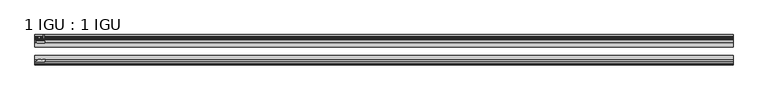
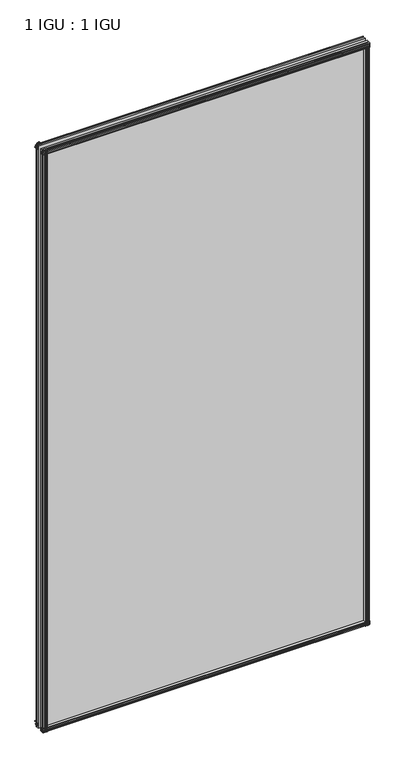
"""IFC4 building model written with IfcOpenShell, lengths in millimetres: plate geometry, 1 IGU : 1 IGU."""

from ifc_helpers import new_model, si_unit, point, frame, frame_2d, origin, place, context, project, spatial, polyline, circle_curve, trimmed, segment, composite_curve, outline, extrude, source, transform, mapped, element, save


def plate_1_igu_1_igu_662582d6(model_context):
    return source(origin(), model_context, "Body", "SweptSolid", [
        extrude(outline(polyline([(-24.9039062, 2.5763839), (-12.2039062, 1.5739665), (-12.2039062, 0.0), (-18.5539062, 0.0), (-18.5539062, -4.953), (-16.254502, -5.5691235), (-16.6301757, -4.1670901), (-15.7714677, -3.937), (-15.1249062, -6.35), (-15.7714677, -8.763), (-16.6301757, -8.5329099), (-16.254502, -7.1308765), (-18.5539062, -7.747), (-18.5539062, -12.7), (-20.5859062, -12.7), (-24.9039062, -9.1036931), (-24.9039062, 2.5763839)])), frame((-537.1594369, 0.0, 0.0), z_axis=(1.0, 0.0, 0.0), x_axis=(0.0, 1.0, 0.0)), (0.0, 0.0, 1.0), 1072.6321551),
        extrude(outline(composite_curve([segment(polyline([(-58.2287402, 1.5687054), (-50.3039062, 3.0983599), (-50.3039062, -7.92383), (-54.4858806, -12.1058044)]), True, "CONTINUOUS"), segment(trimmed(circle_curve(frame_2d((-55.3839062, -11.2077788)), 1.27), [point((-54.4858806, -12.1058044))], [point((-56.6539062, -11.2077788))], False, "CARTESIAN"), True, "CONTINUOUS"), segment(polyline([(-56.6539062, -11.2077788), (-56.6539062, -8.0327788), (-58.1332022, -5.4488186), (-56.6539062, -5.1879788), (-56.6539062, 0.2222212), (-58.2287402, 0.0), (-58.2287402, 1.5687054)]), True, "CONTINUOUS")], self_intersect=False)), frame((-537.1594369, 0.0, 0.0), z_axis=(1.0, 0.0, 0.0), x_axis=(0.0, 1.0, 0.0)), (0.0, 0.0, 1.0), 1072.6321551),
        extrude(outline(polyline([(-18.5539063, 2001.656525), (-16.254502, 2001.0404015), (-16.6301757, 2002.4424349), (-15.7714677, 2002.672525), (-15.1249063, 2000.259525), (-15.7714677, 1997.846525), (-16.6301757, 1998.0766151), (-16.254502, 1999.4786485), (-18.5539063, 1998.862525), (-18.5539063, 1993.909525), (-12.2039062, 1993.909525), (-12.2039062, 1992.3355584), (-24.9039063, 1991.3331411), (-24.9039063, 2003.0132181), (-20.5859063, 2006.609525), (-18.5539063, 2006.609525), (-18.5539063, 2001.656525)])), frame((-537.1594369, 0.0, 0.0), z_axis=(1.0, 0.0, 0.0), x_axis=(0.0, 1.0, 0.0)), (0.0, 0.0, 1.0), 1072.6321551),
        extrude(outline(composite_curve([segment(polyline([(-50.3039063, 2001.833355), (-50.3039063, 1990.8111651), (-58.2287402, 1992.3408196), (-58.2287402, 1993.909525), (-56.6539063, 1993.6873038), (-56.6539063, 1999.0975038), (-58.1332023, 1999.3583436), (-56.6539063, 2001.9423038), (-56.6539063, 2005.1173038)]), True, "CONTINUOUS"), segment(trimmed(circle_curve(frame_2d((-55.3839063, 2005.1173038)), 1.27), [point((-56.6539063, 2005.1173038))], [point((-54.4858806, 2006.0153294))], False, "CARTESIAN"), True, "CONTINUOUS"), segment(polyline([(-54.4858806, 2006.0153294), (-50.3039063, 2001.833355)]), True, "CONTINUOUS")], self_intersect=False)), frame((-537.1594369, 0.0, 0.0), z_axis=(1.0, 0.0, 0.0), x_axis=(0.0, 1.0, 0.0)), (0.0, 0.0, 1.0), 1072.6321551),
        extrude(outline(composite_curve([segment(polyline([(521.0416742, -57.3876965), (519.6743583, -50.3039063), (530.6965482, -50.3039063), (534.8785226, -54.4858806)]), True, "CONTINUOUS"), segment(trimmed(circle_curve(frame_2d((533.980497, -55.3839063)), 1.27), [point((534.8785226, -54.4858806))], [point((533.980497, -56.6539063))], False, "CARTESIAN"), True, "CONTINUOUS"), segment(polyline([(533.980497, -56.6539063), (530.805497, -56.6539063), (528.2215368, -58.1332023), (527.960697, -56.6539063), (522.550497, -56.6539063), (522.7727182, -58.2287402), (521.8083974, -58.2014026)]), True, "CONTINUOUS"), segment(trimmed(circle_curve(frame_2d((522.042497, -57.2127402)), 1.016), [point((521.8083974, -58.2014026))], [point((521.0416742, -57.3876965))], False, "CARTESIAN"), True, "CONTINUOUS")], self_intersect=False)), frame((0.0, 0.0, -12.7), z_axis=(0.0, 0.0, 1.0), x_axis=(1.0, 0.0, 0.0)), (0.0, 0.0, 1.0), 2007.0064),
        extrude(outline(polyline([(527.7257182, -18.5539063), (528.3418417, -16.254502), (526.9398083, -16.6301757), (526.7097182, -15.7714677), (529.1227182, -15.1249063), (531.5357182, -15.7714677), (531.305628, -16.6301757), (529.9035947, -16.254502), (530.5197182, -18.5539063), (535.4727182, -18.5539063), (535.4727182, -20.5859063), (531.8764113, -24.9039063), (520.1963343, -24.9039063), (521.1987516, -12.2039063), (522.7727182, -12.2039063), (522.7727182, -18.5539063), (527.7257182, -18.5539063)])), frame((0.0, 0.0, -12.7), z_axis=(0.0, 0.0, 1.0), x_axis=(1.0, 0.0, 0.0)), (0.0, 0.0, 1.0), 2007.0064),
        extrude(outline(composite_curve([segment(polyline([(-532.4922157, -56.6539062), (-535.6672157, -56.6539062)]), True, "CONTINUOUS"), segment(trimmed(circle_curve(frame_2d((-535.6672157, -55.3839062)), 1.27), [point((-535.6672157, -56.6539062))], [point((-536.5652413, -54.4858806))], False, "CARTESIAN"), True, "CONTINUOUS"), segment(polyline([(-536.5652413, -54.4858806), (-532.3832669, -50.3039062), (-528.7137215, -50.3039062)]), True, "CONTINUOUS"), segment(trimmed(circle_curve(frame_2d((-526.6502157, -46.3669062)), 4.445), [point((-528.7137215, -50.3039062))], [point((-524.58671, -50.3039062))], True, "CARTESIAN"), True, "CONTINUOUS"), segment(polyline([(-524.58671, -50.3039062), (-521.361077, -50.3039062), (-522.8907315, -58.2287402), (-524.4594369, -58.2287402), (-524.2372157, -56.6539062), (-529.6474157, -56.6539062), (-529.9082555, -58.1332022), (-532.4922157, -56.6539062)]), True, "CONTINUOUS")], self_intersect=False)), frame((0.0, 0.0, -12.7), z_axis=(0.0, 0.0, 1.0), x_axis=(1.0, 0.0, 0.0)), (0.0, 0.0, 1.0), 2019.309525),
        extrude(outline(polyline([(-521.883053, -24.9039062), (-533.56313, -24.9039062), (-537.1594369, -20.5859062), (-537.1594369, -18.5539062), (-532.2064369, -18.5539062), (-531.5903134, -16.254502), (-532.9923468, -16.6301757), (-533.2224369, -15.7714677), (-530.8094369, -15.1249062), (-528.3964369, -15.7714677), (-528.6265271, -16.6301757), (-530.0285604, -16.254502), (-529.4124369, -18.5539062), (-524.4594369, -18.5539062), (-524.4594369, -12.2039062), (-522.8854704, -12.2039062), (-521.883053, -24.9039062)])), frame((0.0, 0.0, -12.7), z_axis=(0.0, 0.0, 1.0), x_axis=(1.0, 0.0, 0.0)), (0.0, 0.0, 1.0), 2019.309525),
        extrude(outline(polyline([(535.4727182, -24.9039062), (535.4727182, -31.2031063), (-537.1594369, -31.2031063), (-537.1594369, -24.9039062), (535.4727182, -24.9039062)])), frame((0.0, 0.0, -12.7), z_axis=(0.0, 0.0, 1.0), x_axis=(1.0, 0.0, 0.0)), (0.0, 0.0, 1.0), 2019.309525),
        extrude(outline(polyline([(-537.1594369, -44.0047063), (535.4727182, -44.0047063), (535.4727182, -50.3039062), (-537.1594369, -50.3039062), (-537.1594369, -44.0047063)])), frame((0.0, 0.0, -12.7), z_axis=(0.0, 0.0, 1.0), x_axis=(1.0, 0.0, 0.0)), (0.0, 0.0, 1.0), 2019.309525),
    ])


if __name__ == "__main__":
    model = new_model("IFC4")
    model_context = context("Model", 3, world=origin())
    ifc_project = project(units=[si_unit("LENGTHUNIT", "METRE", prefix="MILLI")], contexts=[model_context])
    site = spatial("IfcSite", under=ifc_project)
    building = spatial("IfcBuilding", under=site)
    placement = place(None, origin())
    plate_1_igu_1_igu_shape = plate_1_igu_1_igu_662582d6(model_context)
    element("IfcPlate", 1, ObjectType="1 IGU : 1 IGU", at=placement, inside=building, context=model_context, shape_type="MappedRepresentation", body=[
        mapped(plate_1_igu_1_igu_shape, transform((0.0, 0.0, 0.0), x_axis=(1.0, 0.0, 0.0), y_axis=(0.0, 1.0, 0.0), z_axis=(0.0, 0.0, 1.0))),
    ])
    save(model, "model.ifc")
